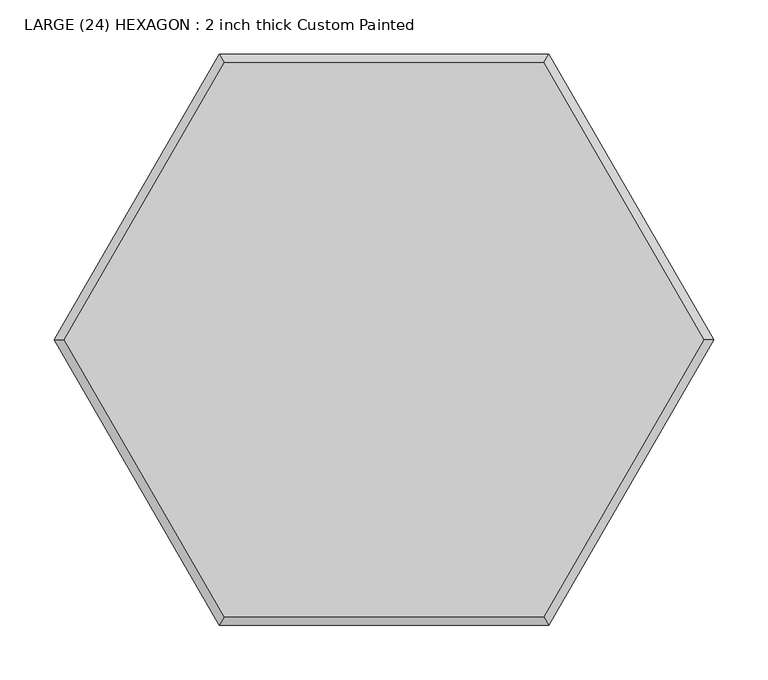
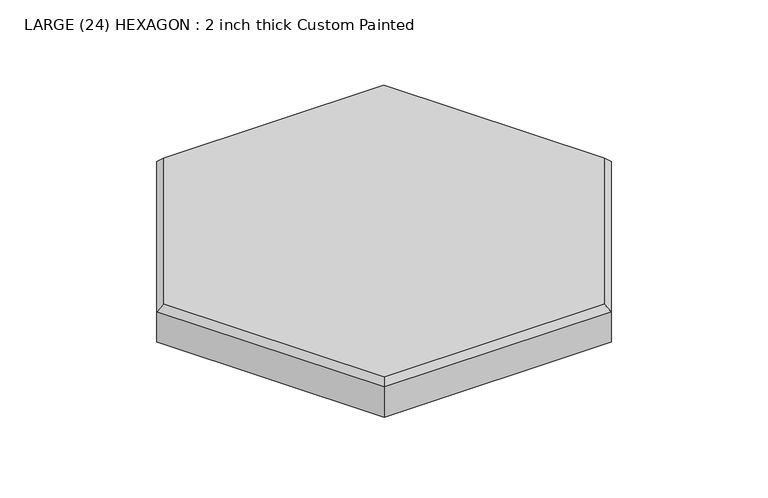
"""IFC4 building model written with IfcOpenShell, lengths in millimetres: proxy geometry, LARGE (24) HEXAGON : 2 inch thick Custom Painted."""

from ifc_helpers import new_model, si_unit, origin, place, context, project, spatial, faceted_brep, source, transform, mapped, element, save


def large_24_hexagon_2_inch_thick_custom_painted_5373e126(model_context):
    return source(origin(), model_context, "Body", "Brep", [
        faceted_brep([(-147.7806205, 255.9635431, 50.8), (-295.561241, 0.0, 50.8), (-147.7806205, -255.9635431, 50.8), (147.7806205, -255.9635431, 50.8), (295.561241, 0.0, 50.8), (147.7806205, 255.9635431, 50.8), (152.4, 263.9645431, 0.0), (304.8, 0.0, 0.0), (152.4, -263.9645431, 0.0), (-152.4, -263.9645431, 0.0), (-304.8, 0.0, 0.0), (-152.4, 263.9645431, 0.0), (-152.4, 263.9645431, 42.799), (152.4, 263.9645431, 42.799), (-304.8, 0.0, 42.799), (-152.4, -263.9645431, 42.799), (152.4, -263.9645431, 42.799), (304.8, 0.0, 42.799)], [[[0, 1, 2, 3, 4, 5]], [[6, 7, 8, 9, 10, 11]], [[6, 11, 12, 13]], [[11, 10, 14, 12]], [[10, 9, 15, 14]], [[9, 8, 16, 15]], [[8, 7, 17, 16]], [[7, 6, 13, 17]], [[14, 1, 0, 12]], [[1, 14, 15, 2]], [[2, 15, 16, 3]], [[3, 16, 17, 4]], [[4, 17, 13, 5]], [[12, 0, 5, 13]]]),
    ])


if __name__ == "__main__":
    model = new_model("IFC4")
    model_context = context("Model", 3, world=origin())
    ifc_project = project(units=[si_unit("LENGTHUNIT", "METRE", prefix="MILLI")], contexts=[model_context])
    site = spatial("IfcSite", under=ifc_project)
    building = spatial("IfcBuilding", under=site)
    placement = place(None, origin())
    large_24_hexagon_2_inch_thick_custom_painted_shape = large_24_hexagon_2_inch_thick_custom_painted_5373e126(model_context)
    element("IfcBuildingElementProxy", 1, Name="LARGE (24) HEXAGON : 2 inch thick Custom Painted", ObjectType="LARGE (24) HEXAGON : 2 inch thick Custom Painted", at=placement, inside=building, context=model_context, shape_type="MappedRepresentation", body=[
        mapped(large_24_hexagon_2_inch_thick_custom_painted_shape, transform((0.0, 0.0, 0.0), x_axis=(1.0, 0.0, 0.0), y_axis=(0.0, 1.0, 0.0), z_axis=(0.0, 0.0, 1.0))),
    ])
    save(model, "model.ifc")
